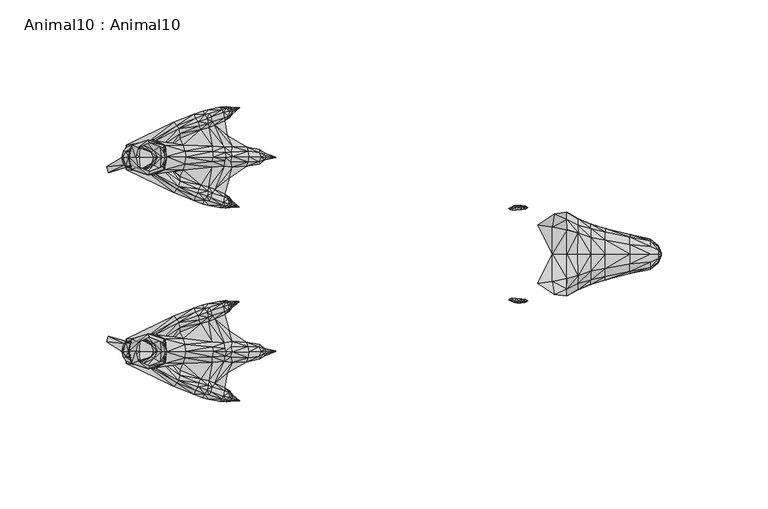
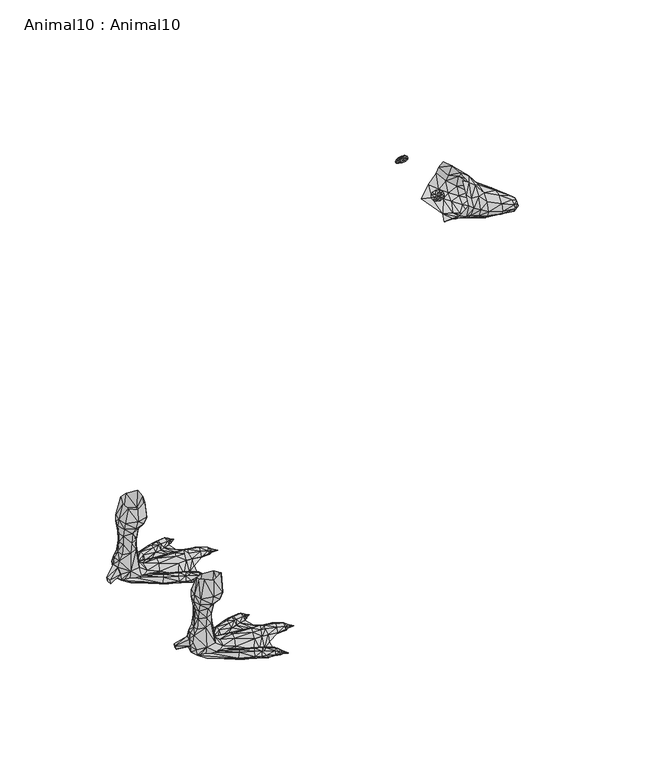
"""IFC4 building model written with IfcOpenShell, lengths in millimetres: geographic element geometry, Animal10 : Animal10."""

from ifc_helpers import new_model, si_unit, origin, place, context, project, spatial, triangles, source, transform, mapped, element, save


def animal10_animal10_9e66d876(model_context):
    return source(origin(), model_context, "Body", "Tessellation", [
        triangles([(-46.5843658, 11.4858939, 257.5037045), (-41.5535819, 9.9933932, 253.844898), (-46.8424942, 16.4083553, 250.5159043), (-41.8283653, 0.0007284, 255.287379), (-35.6745212, 7.803753, 248.3383119), (-46.5843658, -11.4844371, 257.5037045), (-46.8424942, -16.4068985, 250.5159043), (-35.6745212, 0.0007284, 250.4291182), (-35.6745212, -7.8022967, 248.3383119), (-52.708833, 18.8297634, 238.3736767), (-60.5804638, 13.7809573, 233.8109283), (-60.5804638, -13.7795005, 233.8109283), (-3.9123679, -2.0654386, 222.7053925), (-3.9123679, 0.0007284, 223.2590288), (-41.8283653, 9.9933932, 227.8477022), (-35.6745212, 7.803753, 224.4823916), (-35.6745212, 12.1451458, 228.4149277), (-7.7971423, 3.5557675, 225.284214), (-7.7971423, -3.5543107, 225.284214), (-17.2582126, -8.0790802, 228.2937687), (-35.6745212, -12.1436889, 228.4149277), (-41.8283653, -9.9919364, 227.8477022), (-41.8283653, 0.0007284, 224.9406122), (-35.6745212, 0.0007284, 222.3915854), (-46.8424942, 11.4858939, 230.3771444), (-53.775424, 12.8786959, 232.9891398), (-28.7283155, 12.1616441, 229.0351297), (-35.6745212, 14.23596, 234.0535007), (-28.7283155, 6.7665951, 239.711095), (-17.2582126, 4.658505, 232.3561479), (-53.775424, 0.0007284, 228.8038938), (-28.7283155, -12.1601873, 229.0351297), (-17.2582126, -4.6570482, 232.3561479), (-17.2582126, 0.0007284, 233.4205451), (-7.7971423, 0.0007284, 226.2367722), (-46.8424942, 0.0007284, 227.0701515), (-46.8424942, -11.4844371, 230.3771444), (-52.708833, -18.8283066, 238.3736767), (-53.775424, -12.8772379, 232.9891398), (-41.8283653, 13.8232694, 231.8619194), (-41.8283653, 16.7303639, 238.7832447), (-41.8283653, 13.8232694, 244.4379686), (-35.6745212, 12.1451458, 242.6261061), (-28.7283155, 10.532391, 235.2598951), (-46.8424942, 19.7153641, 244.3467133), (-46.8424942, 16.4083553, 234.3937052), (-46.8424942, -19.7139084, 244.3467133), (-46.8424942, -16.4068985, 234.3937052), (-41.8283653, -13.8218126, 231.8619194), (-41.8283653, -13.8218126, 244.4379686), (-41.8283653, -16.7289071, 238.7832447), (-41.5535819, -9.9919364, 253.844898), (-28.7283155, -10.5309331, 235.2598951), (-28.7283155, 0.0007284, 241.3403561), (-28.7283155, -6.7651388, 239.711095), (-35.6745212, -12.1436889, 242.6261061), (-35.6745212, -14.234502, 234.0535007), (-3.2919216, 0.2576245, 218.143171), (-3.350881, 0.0007284, 218.0487), (-3.9414515, 2.0668954, 218.0814742), (-3.8585002, 4.1330624, 219.9880438), (-7.6206695, 6.1582372, 218.5163677), (-3.9460763, 3.5794347, 218.6246823), (-2.7726341, 0.4456855, 218.8697981), (-2.6262725, 0.5145206, 219.1266865), (-2.4649763, 0.4456855, 219.3835749), (-17.2582126, -4.6570482, 218.5954508), (-3.9414515, -2.0654386, 218.0814742), (-2.7726341, -0.4442288, 218.8697981), (-2.6262725, -0.5130639, 219.1266865), (-7.6206695, -6.1567804, 218.5163677), (-3.9460763, -3.5779779, 218.6246823), (-7.6206695, -3.5543107, 217.4301331), (-3.8585002, -4.1316056, 219.9880438), (-3.2919216, -0.2561678, 218.143171), (-3.9414515, 0.0007284, 217.5278561), (-17.2582126, 4.658505, 218.5954508), (-17.2582126, 0.0007284, 217.5310535), (-7.6206695, 3.5557675, 217.4301331), (-7.6206695, 0.0007284, 216.4237265), (-28.7283155, 6.7665951, 221.4696031), (-28.7283155, 10.532391, 225.0710548), (-17.2582126, 9.1449297, 223.5518343), (-17.2582126, 8.080537, 220.9903627), (-17.2582126, 8.080537, 228.2937687), (-7.6894085, 7.1108072, 220.6307735), (-3.9123679, 2.0668954, 222.7053925), (-7.7432751, 6.1582372, 223.0838578), (-2.515755, 0.2576245, 219.5716448), (-3.9123679, 3.5794347, 221.1928758), (-28.7283155, -10.5309331, 225.0710548), (-17.2582126, -9.1434735, 223.5518343), (-17.2582126, -8.0790802, 220.9903627), (-28.7283155, -6.7651388, 221.4696031), (-7.7432751, -6.1567804, 223.0838578), (-2.4649763, -0.4442288, 219.3835749), (-3.9123679, -3.5779779, 221.1928758), (-7.6894085, -7.1093504, 220.6307735), (-2.5277019, 0.0007284, 219.6404996), (-2.515755, -0.2561678, 219.5716448), (-28.7283155, 0.0007284, 219.8403421), (-35.6745212, -7.8022967, 224.4823916)], [[2, 3, 1], [42, 3, 2], [8, 2, 4], [5, 2, 8], [7, 52, 6], [7, 50, 52], [52, 8, 4], [52, 9, 8], [26, 11, 10], [12, 39, 38], [35, 87, 18], [14, 87, 35], [13, 35, 19], [13, 14, 35], [15, 36, 25], [23, 36, 15], [16, 23, 15], [24, 23, 16], [17, 15, 40], [16, 15, 17], [18, 85, 30], [88, 85, 18], [20, 19, 33], [20, 95, 19], [22, 21, 49], [22, 102, 21], [36, 22, 37], [36, 23, 22], [23, 102, 22], [23, 24, 102], [25, 31, 26], [36, 31, 25], [46, 26, 10], [25, 26, 46], [40, 25, 46], [15, 25, 40], [28, 40, 41], [17, 40, 28], [27, 17, 28], [82, 17, 27], [44, 28, 43], [27, 28, 44], [85, 27, 44], [83, 27, 85], [30, 44, 29], [85, 44, 30], [34, 29, 54], [30, 29, 34], [35, 30, 34], [18, 30, 35], [31, 11, 26], [32, 20, 53], [32, 92, 20], [53, 33, 55], [53, 20, 33], [55, 34, 54], [55, 33, 34], [33, 35, 34], [33, 19, 35], [31, 37, 39], [31, 36, 37], [49, 57, 51], [49, 21, 57], [37, 49, 48], [37, 22, 49], [21, 32, 57], [21, 91, 32], [12, 31, 39], [39, 48, 38], [39, 37, 48], [57, 53, 56], [57, 32, 53], [41, 46, 45], [40, 46, 41], [42, 45, 3], [41, 45, 42], [43, 41, 42], [28, 41, 43], [5, 42, 2], [43, 42, 5], [29, 43, 5], [44, 43, 29], [54, 5, 8], [29, 5, 54], [46, 10, 45], [38, 48, 47], [48, 51, 47], [48, 49, 51], [47, 50, 7], [47, 51, 50], [50, 9, 52], [50, 56, 9], [56, 55, 9], [56, 53, 55], [9, 54, 8], [9, 55, 54], [51, 56, 50], [51, 57, 56], [77, 101, 81], [78, 101, 77], [58, 76, 60], [59, 76, 58], [62, 77, 84], [79, 77, 62], [63, 79, 62], [60, 79, 63], [64, 60, 63], [58, 60, 64], [61, 62, 86], [63, 62, 61], [65, 63, 61], [64, 63, 65], [90, 65, 61], [66, 65, 90], [101, 67, 94], [101, 78, 67], [67, 71, 93], [67, 73, 71], [68, 69, 72], [68, 75, 69], [72, 70, 74], [72, 69, 70], [70, 97, 74], [70, 96, 97], [73, 72, 71], [73, 68, 72], [71, 74, 98], [71, 72, 74], [76, 75, 68], [76, 59, 75], [79, 78, 77], [80, 78, 79], [60, 80, 79], [76, 80, 60], [78, 73, 67], [78, 80, 73], [80, 68, 73], [80, 76, 68], [81, 24, 16], [101, 24, 81], [82, 16, 17], [81, 16, 82], [84, 81, 82], [77, 81, 84], [83, 82, 27], [84, 82, 83], [86, 84, 83], [62, 84, 86], [88, 83, 85], [86, 83, 88], [90, 86, 88], [61, 86, 90], [87, 88, 18], [90, 88, 87], [89, 90, 87], [66, 90, 89], [99, 87, 14], [89, 87, 99], [91, 92, 32], [91, 93, 92], [94, 93, 91], [94, 67, 93], [92, 95, 20], [92, 98, 95], [93, 98, 92], [93, 71, 98], [95, 13, 19], [95, 97, 13], [97, 100, 13], [97, 96, 100], [98, 97, 95], [98, 74, 97], [13, 99, 14], [13, 100, 99], [24, 94, 102], [24, 101, 94], [102, 91, 21], [102, 94, 91]], closed=False),
        triangles([(-66.0184767, 21.2486076, 262.6506832), (-68.054735, 22.071334, 262.5127374), (-65.36273, 21.6423745, 261.0640795), (-67.5025294, 22.3030559, 261.0295794), (-71.1608999, 22.071334, 262.4782373), (-73.6458272, 21.0254949, 262.6506832), (-74.12901, 21.4071894, 261.2365435), (-72.6794663, 20.6340785, 263.9958591), (-70.5051577, 20.7823184, 264.5132149), (-69.6768471, 21.8938467, 263.1335752), (-67.9857121, 20.9687487, 263.9268589), (-67.5025294, -22.3016002, 261.0295794), (-66.0184767, -21.247152, 262.6506832), (-68.054735, -22.0698784, 262.5127374), (-67.9857121, -20.967293, 263.9268589), (-73.6458272, -21.0240369, 262.6506832), (-74.12901, -21.4057315, 261.2365435), (-71.1608999, -22.0698784, 262.4782373), (-70.5051577, -20.7808605, 264.5132149), (-72.6794663, -20.6326228, 263.9958591), (-69.6768471, -21.8923887, 263.1335752), (-68.5724314, 22.8934223, 257.4424982), (-66.432632, 22.5769332, 258.3047821), (-71.5060278, 22.7580517, 258.2357819), (-69.6423334, 22.7397911, 258.753174), (-68.0892487, -22.662468, 259.2705298), (-66.432632, -22.5754775, 258.3047821), (-68.5724314, -22.8919666, 257.4424982), (-71.5060278, -22.7565938, 258.2357819), (-71.1608999, -22.6733049, 259.4085119), (-69.6423334, -22.7383355, 258.753174), (-68.0892487, 22.6639237, 259.2705298), (-65.1556523, 21.9465006, 259.5809578), (-71.1608999, 22.6747606, 259.4085119), (-73.2661856, 21.8404252, 259.3740119), (-71.7821329, 22.3260469, 260.9261337), (-65.1556523, -21.9450449, 259.5809578), (-65.36273, -21.6409188, 261.0640795), (-71.7821329, -22.3245889, 260.9261337), (-73.2661856, -21.8389672, 259.3740119)], [[2, 1, 4], [2, 11, 1], [4, 1, 3], [36, 6, 5], [36, 7, 6], [5, 6, 8], [5, 9, 10], [5, 8, 9], [11, 10, 9], [2, 10, 11], [13, 12, 38], [13, 14, 12], [15, 14, 13], [16, 39, 18], [17, 39, 16], [19, 18, 21], [20, 18, 19], [21, 15, 19], [21, 14, 15], [16, 18, 20], [32, 22, 25], [32, 23, 22], [24, 25, 22], [34, 25, 24], [28, 26, 31], [27, 26, 28], [31, 29, 28], [31, 30, 29], [4, 33, 32], [4, 3, 33], [32, 33, 23], [34, 35, 36], [34, 24, 35], [36, 35, 7], [37, 12, 26], [38, 12, 37], [37, 26, 27], [40, 39, 17], [40, 30, 39], [29, 30, 40]], closed=False),
        triangles([(-71.7821329, 22.3260469, 260.9261337), (-69.6768471, 21.8938467, 263.1335752), (-69.6768471, 22.7728015, 261.0640795), (-71.1608999, 22.071334, 262.4782373), (-67.5025294, 22.3030559, 261.0295794), (-68.054735, 22.071334, 262.5127374), (-68.054735, -22.0698784, 262.5127374), (-69.6768471, -21.8923887, 263.1335752), (-67.5025294, -22.3016002, 261.0295794), (-71.1608999, -22.0698784, 262.4782373), (-69.6423334, 22.7397911, 258.753174), (-68.0892487, 22.6639237, 259.2705298), (-71.1608999, 22.6747606, 259.4085119), (-71.1608999, -22.6733049, 259.4085119), (-69.6768471, -22.7713458, 261.0640795), (-71.7821329, -22.3245889, 260.9261337), (-69.6423334, -22.7383355, 258.753174), (-68.0892487, -22.662468, 259.2705298)], [[3, 1, 4], [3, 4, 2], [3, 2, 6], [3, 6, 5], [15, 8, 7], [15, 7, 9], [15, 10, 8], [15, 16, 10], [3, 5, 12], [3, 12, 11], [3, 11, 13], [3, 13, 1], [15, 17, 14], [15, 14, 16], [15, 9, 18], [15, 18, 17]], closed=False),
        triangles([(-237.5378992, 50.6701448, 41.4496547), (-252.5574039, 45.6964658, 42.0952503), (-251.2654043, 50.6701448, 42.2566504), (-243.3519157, 53.734915, 47.0986331), (-250.9424044, 51.2094651, 46.4530376), (-237.5378992, 40.3520201, 41.4496547), (-236.8918812, 45.5479284, 40.9654546), (-252.0729132, -45.3242411, 46.4530376), (-234.469391, -45.5444448, 46.2916375), (-236.8918812, -45.5464704, 40.9654546), (-237.5378992, -50.6686869, 41.4496547), (-243.3519157, -53.7334616, 47.0986331), (-252.5574039, -45.6950079, 42.0952503), (-244.1593882, -53.1941414, 41.7724548), (-237.5378992, -40.3505667, 41.4496547), (-235.7613906, -39.8112464, 46.1302375), (-251.2654043, -40.3505667, 42.2566504), (-250.9424044, -39.8112464, 46.4530376), (-243.3519157, 37.2872476, 47.0986331), (-244.1593882, 37.8265678, 41.7724548), (-250.9424044, 39.8126998, 46.4530376), (-238.9913897, 45.5459027, 37.5760676), (-245.9359149, 51.4579237, 38.0602654), (-250.7809135, 47.9361047, 29.9902933), (-241.736898, 42.0933382, 30.7972912), (-250.9424044, 41.8351508, 36.1234741), (-252.0729132, -45.6300182, 30.1516934), (-240.6063892, -41.8336974, 38.2216632), (-238.9913897, -45.5444448, 37.5760676), (-241.736898, -42.0918848, 30.7972912), (-240.6063892, -45.5171209, 30.6358935), (-251.9114223, -45.6300182, 36.1234741), (-241.736898, -47.9346468, 30.7972912), (-245.9359149, -51.4564658, 38.0602654), (-250.7809135, -47.9346468, 29.9902933), (-250.7809135, -42.0918848, 29.9902933), (-250.9424044, -41.8336974, 36.1234741), (-240.6063892, 48.7825238, 38.2216632), (-250.9424044, 48.7825238, 36.1234741), (-244.1593882, 53.1955948, 41.7724548), (-251.9114223, 45.6314762, 36.1234741), (-240.6063892, 41.8351508, 38.2216632), (-245.9359149, 39.1597554, 38.0602654), (-251.2654043, 40.3520201, 42.2566504), (-251.2654043, -50.6686869, 42.2566504), (-240.6063892, -48.7810659, 38.2216632), (-250.9424044, -48.7810659, 36.1234741), (-244.1593882, -37.8251099, 41.7724548), (-245.9359149, -39.1582975, 38.0602654), (-246.9048965, 49.8955282, 23.534317), (-254.9799123, 45.5658097, 19.8221299), (-253.8494036, 41.7501724, 19.3379344), (-251.7498951, 41.7501724, 23.0501192), (-252.5574039, 45.6133268, 23.2115192), (-253.8494036, -41.7487144, 19.3379344), (-251.7498951, -41.7487144, 23.0501192), (-252.5574039, -45.6118689, 23.2115192), (-251.7498951, -48.1056166, 23.0501192), (-253.8494036, -48.2037301, 19.3379344), (-254.8184033, 48.7570575, 14.9801483), (-254.8184033, 45.4594618, 9.8153677), (-253.3649128, 50.2904441, 9.8153677), (-247.3894054, 52.1463083, 10.7837633), (-262.8024908, -41.1578121, 10.431734), (-255.7874212, -45.5166576, 15.3029483), (-241.8983889, 48.1070745, 23.6957171), (-253.8494036, 48.2051835, 19.3379344), (-239.9604076, 45.5185788, 23.372917), (-247.3894054, 39.1904994, 10.7837633), (-240.2833893, 40.982364, 10.2995655), (-241.8983889, -41.7487144, 23.6957171), (-254.8184033, -48.7556041, 14.9801483), (-239.9604076, -45.5171209, 23.372917), (-240.2833893, -50.2889862, 10.2995655), (-254.9799123, -45.5643518, 19.8221299), (-254.8184033, -41.8713496, 14.9801483), (-240.6063892, 45.5185788, 30.6358935), (-252.0729132, 45.6314762, 30.1516934), (-241.736898, 47.9361047, 30.7972912), (-246.4204057, 50.6115001, 30.7972912), (-251.7498951, 48.1070745, 23.0501192), (-250.7809135, 42.0933382, 29.9902933), (-246.9048965, 40.035297, 23.534317), (-241.8983889, 41.7501724, 23.6957171), (-246.4204057, 39.4179428, 30.7972912), (-246.4204057, -50.6100422, 30.7972912), (-246.9048965, -49.8940703, 23.534317), (-241.8983889, -48.1056166, 23.6957171), (-246.4204057, -39.4164849, 30.7972912), (-246.9048965, -40.0338436, 23.534317), (-213.3128699, 48.2902392, 7.2329757), (-213.151379, 50.7674136, 3.8435881), (-226.8788841, 51.2101781, 3.6821889), (-207.1758717, 47.7015306, 6.7487779), (-204.5918724, 48.1068792, 6.587379), (-203.7843636, 50.6920503, 3.6821889), (-196.3553657, 48.5730662, 5.1347838), (-191.3488762, 47.8760521, 3.6821895), (-197.0013655, 50.4374964, 2.5523929), (-197.0013655, 41.3578226, 2.5523929), (-207.6603806, 41.5086173, 3.52079), (-204.5918724, 43.5779859, 6.587379), (-203.7843636, 40.9928194, 3.6821889), (-213.151379, 41.0279054, 3.8435881), (-205.277659, 67.1628109, 3.4400903), (-221.5753743, 65.7987771, 2.9558913), (-216.638321, 65.6169659, 5.1347838), (-214.7967909, 68.0344964, 2.8348418), (-217.6288128, 67.3228938, 2.7137927), (-228.2958761, 56.7511281, 5.7400311), (-228.3103556, 54.6175374, 2.8348418), (-214.9014902, 59.4898417, 2.7137927), (-219.4529021, 60.3030279, 5.4979321), (-215.2070493, 61.4386735, 5.1347838), (-213.2516454, 62.3463898, 5.0137343), (-207.8909625, 66.669409, 4.8926849), (-219.8344558, 62.2966335, 6.3452789), (-214.7195791, 66.0047057, 5.0137343), (-213.6095633, 64.675172, 5.8610811), (-215.5819719, 63.7139344, 6.4663289), (-212.5053974, 48.2902392, 0.6156), (-202.653873, 48.1068792, -0.3527968), (-202.653873, 45.7838924, -0.9983941), (-196.1938748, 45.6147893, -0.5141959), (-189.701048, 45.5804664, -0.2867234), (-189.9614791, 47.8760521, 0.5374224), (-183.3582303, 45.5771054, 0.0023426), (-187.7479151, 45.5804664, 0.2771654), (-188.1385344, 46.6399039, 0.8844309), (-183.3582303, 45.4450595, 0.0023426), (-188.537747, 44.4160934, 1.2965039), (-188.7648588, 44.382261, 2.068195), (-189.9614791, 43.5879145, 0.5374224), (-212.5053974, 45.6220018, -0.3527968), (-223.6489032, 42.2658249, 0.7769991), (-220.4978056, 64.2096663, 0.5349002), (-208.7063197, 67.8928354, 0.6559501), (-213.3496772, 66.4904955, -0.1913974), (-205.6973464, 68.7926351, 0.476267), (-227.9843581, 59.548114, -0.3124467), (-200.4255388, 68.8742299, 0.0749572), (-204.513734, 68.2702151, 1.6243463), (-203.9478165, 66.6743596, 1.6243463), (-200.3924376, 68.7808898, 0.0749572), (-208.075308, 66.464416, -0.3124467), (-204.4558887, 65.3311367, 0.476267), (-207.3852157, 62.7063605, 1.9874949), (-207.28177, 64.2266892, 0.6559501), (-204.8995389, 64.1937198, 1.8664456), (-203.5465874, 66.0525316, 1.0455782), (-203.5050928, 66.831354, 0.7365235), (-203.5293101, 67.7762455, 0.2810743), (-204.9099308, 67.2866587, -0.1418423), (-204.0709921, 68.4272141, 0.7365235), (-211.8817072, 62.8321886, -0.1913974), (-212.6840929, 64.9646347, -0.6755953), (-219.607235, 62.3807309, -0.1913974), (-188.537747, 47.6001242, 1.2965039), (-191.0258582, 49.1076902, 2.3909937), (-188.7648588, 46.6399039, 2.068195), (-223.6489032, 48.5354413, 0.7769991), (-207.6603806, 50.2867016, 3.52079), (-196.1938748, 48.5730662, 0.7769998), (-191.3488762, 43.5879145, 3.6821895), (-190.2183675, 45.5887053, 4.4891868), (-187.9573681, 45.6088077, 2.7137927), (-196.1938748, 43.2222482, 0.7769998), (-188.1385344, 44.382261, 0.8844309), (-191.0258582, 42.3562764, 2.3909937), (-212.5053974, 43.5050798, 0.6156), (-202.653873, 43.5779859, -0.3527968), (-206.6780641, 68.4448593, 2.8348424), (-203.6844605, 67.7437801, 2.108545), (-208.8204842, 67.8523491, 3.9242881), (-206.7584734, 69.3964318, 1.8664456), (-209.744483, 69.0083287, 1.9874949), (-207.3959164, 64.186203, 3.9242881), (-212.0328245, 60.7214254, 2.8348418), (-205.4365883, 64.9833654, 2.8348424), (-204.593889, 69.0058942, 1.0455782), (-218.7178089, 58.5924674, 2.9558913), (-218.8821157, 60.5054456, 0.5349002), (-206.1009373, 55.7908896, 2.269944), (-205.5381809, 23.8734156, 3.4400903), (-207.8909625, 24.3668153, 4.8926849), (-206.938586, 22.5913695, 2.8348424), (-208.8204842, 23.1838751, 3.9242881), (-214.7967909, 23.0017278, 2.8348418), (-217.6288128, 23.7133305, 2.7137927), (-221.0686101, 27.0289734, 5.4979321), (-213.2516454, 28.6898367, 5.0137343), (-207.3959164, 26.8500235, 3.9242881), (-213.6095633, 26.3610522, 5.8610811), (-212.0328245, 30.3148011, 2.8348418), (-215.2070493, 29.5975552, 5.1347838), (-218.7178089, 32.4437569, 2.9558913), (-214.7195791, 25.0315231, 5.0137343), (-216.638321, 25.4192606, 5.1347838), (-215.5819719, 27.3222899, 6.4663289), (-219.4529021, 30.7331963, 5.4979321), (-214.7195791, -25.0300651, 5.0137343), (-221.5753743, -25.2359937, 2.9558913), (-213.6095633, -26.3595943, 5.8610811), (-208.8204842, -23.1824172, 3.9242881), (-215.2070493, -29.5960973, 5.1347838), (-218.7178089, -32.4422989, 2.9558913), (-228.3103556, -36.4172357, 2.8348418), (-204.5918724, -48.1054213, 6.587379), (-213.2516454, -28.6883811, 5.0137343), (-213.3128699, -43.5036264, 7.2329757), (-207.8909625, -24.3653573, 4.8926849), (-190.2183675, -45.5872474, 4.4891868), (-195.8708749, -45.7887885, 6.4259795), (-196.3553657, -48.5716128, 5.1347838), (-191.3488762, -43.5864565, 3.6821895), (-191.0258582, -42.3548184, 2.3909937), (-196.3553657, -43.2207948, 5.1347838), (-215.2070493, -61.4372156, 5.1347838), (-214.7967909, -68.0330385, 2.8348418), (-217.6288128, -67.3214358, 2.7137927), (-206.6780641, -68.4434013, 2.8348424), (-208.8204842, -67.8508957, 3.9242881), (-205.4365883, -64.9819029, 2.8348424), (-207.8909625, -66.667951, 4.8926849), (-213.2516454, -62.3449273, 5.0137343), (-213.6095633, -64.6737186, 5.8610811), (-228.2958761, -56.7496747, 5.7400311), (-226.8788841, -39.5896256, 3.6821889), (-213.151379, -41.0264475, 3.8435881), (-218.7178089, -58.591014, 2.9558913), (-206.1009373, -55.7894317, 2.269944), (-213.151379, -50.7659556, 3.8435881), (-203.7843636, -40.9913615, 3.6821889), (-212.0328245, -30.3133455, 2.8348418), (-205.3193898, -35.8837744, 2.269944), (-207.6603806, -41.5071594, 3.52079), (-219.4529021, -30.7317384, 5.4979321), (-219.8344558, -28.738135, 6.3452789), (-221.0686101, -27.0275177, 5.4979321), (-219.4529021, -60.30157, 5.4979321), (-221.0686101, -64.0057952, 5.4979321), (-219.8344558, -62.2951801, 6.3452789), (-228.8702597, -59.1455586, 6.7084278), (-215.5819719, -63.712481, 6.4663289), (-214.7195791, -66.0032432, 5.0137343), (-216.638321, -65.615508, 5.1347838), (-216.638321, -25.4178049, 5.1347838), (-215.5819719, -27.3208319, 6.4663289), (-218.8821157, 30.5307831, 0.5349002), (-200.6529595, 22.2553367, 0.0749572), (-200.6860607, 22.1619989, 0.0749572), (-204.8544109, 22.0303277, 1.0455782), (-203.9449824, 23.2924441, 2.108545), (-203.7898138, 23.2599788, 0.2810743), (-207.28177, 26.8095395, 0.6559501), (-205.1600608, 26.8425045, 1.8664456), (-205.9578682, 22.2435937, 0.476267), (-205.1704526, 23.7495678, -0.1418423), (-207.0189772, 21.639797, 1.8664456), (-204.331514, 22.6090101, 0.7365235), (-203.8070911, 24.9836903, 1.0455782), (-204.7164106, 25.7050898, 0.476267), (-203.7655965, 24.2048702, 0.7365235), (-208.075308, 24.5718082, -0.3124467), (-212.6840929, 26.0715918, -0.6755953), (-227.9843581, 31.4881125, -0.3124467), (-219.607235, 28.6554911, -0.1913974), (-220.4978056, 26.8265602, 0.5349002), (-228.2152306, 29.9988116, 0.6559496), (-226.6976452, 33.7183361, 0.6559496), (-223.6489032, -48.5339834, 0.7769991), (-224.2948849, -45.7940389, -0.5141959), (-212.5053974, -45.6205439, -0.3527968), (-219.607235, -28.6540354, -0.1913974), (-213.3496772, -66.4890421, -0.1913974), (-226.6976452, -57.3164324, 0.6559496), (-212.5053974, -43.5036264, 0.6156), (-188.1385344, -44.3808076, 0.8844309), (-188.7648588, -44.3808076, 2.068195), (-183.3582303, -45.4436061, 0.0023426), (-196.1938748, -45.6133314, -0.5141959), (-196.1938748, -43.2207948, 0.7769998), (-188.537747, -47.5986708, 1.2965039), (-183.3582303, -45.5756474, 0.0023426), (-202.653873, -48.1054213, -0.3527968), (-202.653873, -45.782439, -0.9983941), (-203.6844605, -67.7423222, 2.108545), (-200.3924376, -68.7794319, 0.0749572), (-203.5050928, -66.8299006, 0.7365235), (-203.9478165, -66.6728971, 1.6243463), (-203.5293101, -67.7747921, 0.2810743), (-200.4255388, -68.8727719, 0.0749572), (-204.593889, -69.0044408, 1.0455782), (-204.513734, -68.2687617, 1.6243463), (-187.7479151, -45.5790084, 0.2771654), (-188.1385344, -46.6384459, 0.8844309), (-189.701048, -45.5790084, -0.2867234), (-207.28177, -64.2252267, 0.6559501), (-212.6840929, -64.9631813, -0.6755953), (-203.5465874, -66.0510782, 1.0455782), (-204.4558887, -65.3296788, 0.476267), (-204.9099308, -67.2852053, -0.1418423), (-208.075308, -66.4629626, -0.3124467), (-206.7584734, -69.3949693, 1.8664456), (-204.0709921, -68.4257607, 0.7365235), (-205.6973464, -68.7911726, 0.476267), (-200.6860607, -22.160541, 0.0749572), (-200.6529595, -22.253881, 0.0749572), (-203.8070911, -24.9822347, 1.0455782), (-212.6840929, -26.0701361, -0.6755953), (-211.8817072, -28.2025845, -0.1913974), (-205.9578682, -22.242138, 0.476267), (-203.7898138, -23.2585208, 0.2810743), (-203.7655965, -24.2034123, 0.7365235), (-205.1704526, -23.7481121, -0.1418423), (-208.075308, -24.5703525, -0.3124467), (-204.7164106, -25.7036341, 0.476267), (-208.7063197, -23.1419355, 0.6559501), (-204.8544109, -22.028872, 1.0455782), (-204.331514, -22.6075545, 0.7365235), (-219.607235, -62.3792775, -0.1913974), (-227.9843581, -31.4866569, -0.3124467), (-211.8817072, 28.2040402, -0.1913974), (-207.3852157, 28.3298637, 1.9874949), (-209.744483, 22.0278955, 1.9874949), (-205.6971102, 26.0528633, 2.8348424), (-204.2083202, 24.3618692, 1.6243463), (-204.7742559, 22.7660091, 1.6243463), (-208.7063197, 23.1433911, 0.6559501), (-213.3496772, 24.5457265, -0.1913974), (-221.5753743, 25.2374516, 2.9558913), (-207.3852157, -28.3284058, 1.9874949), (-207.3959164, -26.8485679, 3.9242881), (-191.3488762, -47.8745987, 3.6821895), (-187.9573681, -45.6073497, 2.7137927), (-207.3959164, -64.184745, 3.9242881), (-217.6288128, -23.7118725, 2.7137927), (-220.4978056, -26.8251045, 0.5349002), (-226.6976452, -33.7168805, 0.6559496), (-212.5053974, -48.2887812, 0.6156), (-228.3103556, -54.6160749, 2.8348418), (-203.7843636, -50.6905923, 3.6821889), (-197.0013655, -50.4360384, 2.5523929), (-196.1938748, -48.5716128, 0.7769998), (-189.9614791, -47.8745987, 0.5374224), (-188.7648588, -46.6384459, 2.068195), (-191.0258582, -49.1062323, 2.3909937), (-214.9014902, -59.4883883, 2.7137927), (-212.0328245, -60.7199674, 2.8348418), (-211.8817072, -62.8307261, -0.1913974), (-209.744483, -69.0068707, 1.9874949), (-208.7063197, -67.891382, 0.6559501), (-204.8995389, -64.1922664, 1.8664456), (-205.277659, -67.1613575, 3.4400903), (-207.3852157, -62.7049071, 1.9874949), (-218.8821157, -60.5039877, 0.5349002), (-207.6603806, -50.2852437, 3.52079), (-202.653873, -43.5765325, -0.3527968), (-197.0013655, -41.3563646, 2.5523929), (-188.537747, -44.4146355, 1.2965039), (-189.9614791, -43.5864565, 0.5374224), (-218.8821157, -30.5293252, 0.5349002), (-214.9014902, -31.5449246, 2.7137927), (-214.7967909, -23.0002721, 2.8348418), (-213.3496772, -24.5442708, -0.1913974), (-209.744483, -22.0264399, 1.9874949), (-207.28177, -26.8080839, 0.6559501), (-204.2083202, -24.3604112, 1.6243463), (-205.6971102, -26.0514077, 2.8348424), (-205.1600608, -26.8410488, 1.8664456), (-206.938586, -22.5899116, 2.8348424), (-207.0189772, -21.638339, 1.8664456), (-204.7742559, -22.7645512, 1.6243463), (-205.5381809, -23.8719599, 3.4400903), (-203.9449824, -23.2909884, 2.108545), (-226.8788841, 39.5910836, 3.6821889), (-214.9014902, 31.5463825, 2.7137927), (-205.3193898, 35.8852301, 2.269944), (-251.4268952, 51.2094651, 5.4575827), (-253.5264037, 39.8126998, 6.26458), (-251.4268952, 39.8126998, 5.4575827), (-247.5508963, 45.5870839, 1.745396), (-236.7303904, 45.6030349, 0.292801), (-247.2279146, 39.8126998, 2.8751918), (-252.3959131, 45.4934304, 4.3277867), (-229.8134615, -60.4691969, 5.7400311), (-245.5610105, -51.0814569, 5.2558332), (-252.3959131, -45.491977, 4.3277867), (-254.3339125, -45.5272765, 5.2961832), (-247.5508963, -45.5856259, 1.745396), (-251.4268952, -51.2080071, 5.4575827), (-247.2279146, -39.8112464, 2.8751918), (-236.2458996, -51.2080071, 1.0997988), (-247.2279146, -51.2080071, 2.8751918), (-236.7303904, -45.601577, 0.292801), (-236.2458996, 51.2094651, 1.0997988), (-225.9098844, 48.5354413, 7.5557752), (-235.2768999, 51.2094651, 6.9101773), (-240.6063892, 53.801131, 5.4575827), (-224.2948849, 45.7954923, -0.5141959), (-236.2458996, 39.8126998, 1.0997988), (-231.1689021, 62.1184513, 2.8348418), (-228.2152306, 61.0374126, 0.6559496), (-246.2459614, 50.1168219, 0.8980493), (-232.8638386, 50.2531644, 4.1663873), (-241.6589231, 50.2310637, 0.292801), (-226.6976452, 57.3178858, 0.6559496), (-237.2411332, 50.7105084, 0.8980493), (-245.5610105, 51.0829148, 5.2558332), (-229.8134615, 60.4706549, 5.7400311), (-221.0686101, 64.0072486, 5.4979321), (-228.8702597, 59.147012, 6.7084278), (-240.3506636, 53.0994978, 6.22423), (-236.5561822, 50.9534078, 5.2558332), (-246.2459614, 40.9194046, 0.8980493), (-237.2411332, 40.3257181, 0.8980493), (-228.3103556, 36.4186914, 2.8348418), (-228.2958761, 34.2850984, 5.7400311), (-232.8638386, 40.7830621, 4.1663873), (-229.8134615, 30.5655739, 5.7400311), (-241.6589231, 40.8051628, 0.292801), (-231.1689021, 28.9177752, 2.8348418), (-245.5610105, 39.9533071, 5.2558332), (-236.5561822, 40.0828187, 5.2558332), (-228.8702597, 31.8892122, 6.7084278), (-240.3506636, 37.936731, 6.22423), (-219.8344558, 28.7395907, 6.3452789), (-226.8788841, -51.2087247, 3.6821889), (-228.2958761, -34.2836427, 5.7400311), (-223.6489032, -42.264367, 0.7769991), (-236.2458996, -39.8112464, 1.0997988), (-232.8638386, -50.2517065, 4.1663873), (-232.8638386, -40.7816041, 4.1663873), (-237.2411332, -40.3242601, 0.8980493), (-246.2459614, -40.9179466, 0.8980493), (-231.1689021, -62.1169933, 2.8348418), (-228.2152306, -61.0359592, 0.6559496), (-237.2411332, -50.7090505, 0.8980493), (-227.9843581, -59.546656, -0.3124467), (-246.2459614, -50.115364, 0.8980493), (-241.6589231, -50.2296057, 0.292801), (-220.4978056, -64.2082129, 0.5349002), (-221.5753743, -65.7973147, 2.9558913), (-228.2152306, -29.9973537, 0.6559496), (-241.6589231, -40.8037049, 0.292801), (-231.1689021, -28.9163196, 2.8348418), (-236.5561822, -50.9519454, 5.2558332), (-240.3506636, -53.0980353, 6.22423), (-245.5610105, -39.9518537, 5.2558332), (-229.8134615, -30.564116, 5.7400311), (-228.8702597, -31.8877543, 6.7084278), (-240.3506636, -37.9352753, 6.22423), (-236.5561822, -40.0813607, 5.2558332), (-240.2833893, 50.2904441, 10.2995655), (-238.02239, 45.8619127, 10.9451634), (-225.5868845, 45.686233, 8.8469709), (-195.8708749, 45.7902464, 6.4259795), (-203.9458908, 45.8325631, 7.7171746), (-253.5264037, 51.2094651, 6.26458), (-247.2279146, 51.2094651, 2.8751918), (-196.3553657, 43.2222482, 5.1347838), (-206.8528718, 45.5035861, 8.5241714), (-207.1758717, 44.0937884, 6.7487779), (-212.8283791, 45.6175689, 8.3627714), (-213.3128699, 43.5050798, 7.2329757), (-225.9098844, 42.2658249, 7.5557752), (-234.7924091, 45.8489502, 8.201373), (-235.2768999, 39.8126998, 6.9101773), (-254.3339125, 45.5287344, 5.2961832), (-240.6063892, 37.2210361, 5.4575827), (-255.7874212, 45.518111, 15.3029483), (-262.8024908, 41.15927, 10.431734), (-262.3080261, 41.15927, 7.537246), (-254.8184033, 41.872812, 14.9801483), (-262.0900525, 38.4665883, 10.1089362), (-253.3649128, 40.982364, 9.8153677), (-261.5955696, 38.4665883, 7.2144471), (-251.4268952, -39.8112464, 5.4575827), (-225.5868845, -45.684775, 8.8469709), (-213.3128699, -48.2887812, 7.2329757), (-203.9458908, -45.8311051, 7.7171746), (-204.5918724, -43.5765325, 6.587379), (-207.1758717, -44.0923259, 6.7487779), (-206.8528718, -45.5021327, 8.5241714), (-212.8283791, -45.616111, 8.3627714), (-207.1758717, -47.7000726, 6.7487779), (-254.8184033, -45.4580038, 9.8153677), (-261.5955696, -38.4651349, 7.2144471), (-262.3080261, -41.1578121, 7.537246), (-235.2768999, -39.8112464, 6.9101773), (-225.9098844, -42.264367, 7.5557752), (-247.3894054, -52.1448504, 10.7837633), (-253.5264037, -51.2080071, 6.26458), (-235.2768999, -51.2080071, 6.9101773), (-238.02239, -45.8604593, 10.9451634), (-240.6063892, -53.7996731, 5.4575827), (-234.7924091, -45.8474922, 8.201373), (-225.9098844, -48.5339834, 7.5557752), (-253.3649128, -50.2889862, 9.8153677), (-253.5264037, -39.8112464, 6.26458), (-253.3649128, -40.9809061, 9.8153677), (-240.6063892, -37.2195782, 5.4575827), (-247.3894054, -39.189046, 10.7837633), (-240.2833893, -40.9809061, 10.2995655), (-262.0900525, -38.4651349, 10.1089362), (-234.469391, 45.5459027, 46.2916375), (-235.7613906, 51.2094651, 46.1302375), (-249.1658958, 45.5495135, 56.9982287), (-252.0729132, 45.325699, 46.4530376), (-236.2458996, 49.9959944, 59.9798554), (-242.8673886, 52.5214489, 58.3658597), (-247.8738962, 49.9959944, 59.1728553), (-235.2768999, 45.7663471, 57.6438243), (-247.8738962, 41.2958305, 55.491403), (-236.2458996, 41.2958305, 56.2983986), (-235.7613906, 39.8126998, 46.1302375), (-242.8673886, 38.7703761, 54.6844029), (-235.2768999, -45.7648892, 57.6438243), (-236.2458996, -41.2943771, 56.2983986), (-250.9424044, -51.2080071, 46.4530376), (-249.1658958, -45.5480556, 56.9982287), (-235.7613906, -51.2080071, 46.1302375), (-242.8673886, -52.519991, 58.3658597), (-247.8738962, -49.9945365, 59.1728553), (-236.2458996, -49.9945365, 59.9798554), (-242.8673886, -38.7689227, 54.6844029), (-243.3519157, -37.2857896, 47.0986331), (-247.8738962, -41.2943771, 55.491403)], [[506, 1, 507], [506, 7, 1], [509, 3, 2], [509, 5, 3], [4, 1, 40], [4, 507, 1], [5, 40, 3], [5, 4, 40], [6, 506, 516], [7, 506, 6], [44, 509, 2], [21, 509, 44], [8, 17, 13], [8, 18, 17], [9, 15, 16], [9, 10, 15], [11, 9, 522], [10, 9, 11], [11, 12, 14], [522, 12, 11], [45, 8, 13], [520, 8, 45], [14, 520, 45], [12, 520, 14], [527, 15, 48], [527, 16, 15], [18, 48, 17], [18, 527, 48], [6, 19, 20], [516, 19, 6], [20, 21, 44], [19, 21, 20], [22, 79, 38], [22, 77, 79], [41, 24, 78], [41, 39, 24], [23, 79, 80], [23, 38, 79], [39, 80, 24], [39, 23, 80], [25, 22, 42], [77, 22, 25], [78, 26, 41], [82, 26, 78], [85, 26, 82], [43, 26, 85], [25, 43, 85], [42, 43, 25], [37, 27, 32], [37, 36, 27], [29, 30, 28], [29, 31, 30], [35, 32, 27], [47, 32, 35], [33, 29, 46], [31, 29, 33], [33, 34, 86], [46, 34, 33], [86, 47, 35], [34, 47, 86], [49, 30, 89], [49, 28, 30], [37, 89, 36], [37, 49, 89], [38, 7, 22], [1, 7, 38], [39, 2, 3], [41, 2, 39], [38, 40, 1], [23, 40, 38], [23, 3, 40], [39, 3, 23], [7, 42, 22], [7, 6, 42], [2, 26, 44], [2, 41, 26], [20, 42, 6], [20, 43, 42], [44, 43, 20], [44, 26, 43], [37, 13, 17], [32, 13, 37], [28, 10, 29], [15, 10, 28], [13, 47, 45], [13, 32, 47], [14, 46, 11], [14, 34, 46], [45, 34, 14], [45, 47, 34], [10, 46, 29], [10, 11, 46], [28, 48, 15], [49, 48, 28], [49, 17, 48], [37, 17, 49], [54, 67, 51], [54, 81, 67], [81, 50, 67], [52, 54, 51], [53, 54, 52], [83, 53, 52], [57, 55, 75], [57, 56, 55], [87, 58, 59], [59, 57, 75], [58, 57, 59], [56, 90, 55], [60, 61, 471], [60, 62, 61], [60, 63, 62], [474, 61, 471], [476, 474, 61], [69, 474, 476], [76, 487, 65], [76, 501, 487], [76, 64, 65], [505, 76, 64], [72, 492, 499], [72, 487, 65], [72, 499, 487], [76, 503, 501], [472, 474, 471], [475, 474, 472], [68, 454, 66], [68, 455, 454], [471, 67, 60], [51, 67, 471], [50, 454, 63], [50, 66, 454], [63, 67, 50], [60, 67, 63], [70, 68, 84], [455, 68, 70], [52, 471, 474], [52, 51, 471], [52, 69, 83], [52, 474, 69], [69, 84, 83], [70, 84, 69], [65, 55, 76], [75, 55, 65], [73, 504, 71], [495, 73, 504], [59, 492, 87], [59, 72, 492], [74, 73, 88], [495, 73, 74], [74, 87, 492], [88, 87, 74], [65, 59, 72], [59, 75, 65], [503, 55, 90], [76, 55, 503], [71, 503, 90], [504, 71, 503], [66, 77, 68], [79, 77, 66], [54, 24, 81], [78, 24, 54], [66, 80, 79], [50, 80, 66], [50, 24, 80], [81, 24, 50], [77, 84, 68], [77, 25, 84], [82, 54, 53], [82, 78, 54], [82, 83, 85], [82, 53, 83], [85, 84, 25], [85, 83, 84], [57, 36, 56], [27, 36, 57], [71, 31, 73], [30, 31, 71], [35, 57, 58], [35, 27, 57], [35, 87, 86], [35, 58, 87], [86, 88, 33], [86, 87, 88], [31, 88, 73], [31, 33, 88], [90, 36, 89], [56, 36, 90], [71, 89, 30], [90, 89, 71], [457, 98, 165], [457, 97, 98], [397, 92, 91], [93, 397, 92], [162, 91, 92], [94, 91, 162], [95, 162, 94], [96, 162, 95], [96, 97, 99], [96, 95, 97], [99, 98, 97], [99, 159, 98], [164, 100, 461], [169, 100, 164], [164, 457, 165], [461, 457, 164], [103, 461, 100], [102, 103, 461], [102, 101, 463], [101, 103, 102], [465, 101, 104], [465, 463, 101], [104, 466, 465], [466, 376, 104], [116, 172, 105], [116, 174, 172], [106, 107, 109], [106, 411, 107], [108, 107, 118], [109, 107, 108], [110, 181, 113], [110, 111, 181], [114, 181, 112], [113, 181, 114], [112, 115, 114], [112, 178, 115], [179, 116, 105], [177, 116, 179], [117, 107, 411], [117, 120, 107], [118, 120, 119], [107, 120, 118], [119, 174, 118], [119, 116, 174], [412, 113, 117], [412, 110, 113], [177, 119, 115], [119, 116, 177], [114, 117, 113], [120, 117, 114], [120, 115, 119], [120, 114, 115], [93, 181, 92], [111, 93, 181], [112, 92, 181], [162, 92, 112], [162, 178, 96], [162, 112, 178], [183, 96, 178], [99, 96, 183], [161, 134, 400], [161, 121, 134], [122, 134, 121], [123, 134, 122], [124, 122, 123], [163, 122, 124], [124, 126, 163], [124, 125, 126], [129, 125, 128], [126, 125, 129], [129, 128, 127], [160, 158, 127], [158, 129, 127], [128, 168, 130], [168, 131, 130], [131, 132, 130], [125, 168, 128], [125, 133, 168], [133, 124, 167], [125, 124, 133], [171, 124, 123], [171, 167, 124], [171, 134, 170], [123, 134, 171], [135, 134, 400], [135, 170, 134], [157, 403, 140], [136, 403, 157], [137, 156, 145], [138, 156, 137], [138, 157, 136], [157, 156, 138], [139, 180, 175], [139, 154, 180], [175, 137, 139], [176, 137, 175], [407, 157, 140], [407, 182, 157], [152, 151, 144], [173, 142, 141], [142, 180, 141], [180, 154, 141], [154, 152, 141], [150, 143, 144], [151, 150, 144], [143, 173, 144], [155, 145, 156], [155, 148, 145], [146, 145, 148], [153, 145, 146], [145, 139, 137], [145, 153, 139], [148, 149, 146], [148, 147, 149], [150, 146, 149], [151, 146, 150], [153, 151, 152], [153, 146, 151], [154, 153, 152], [139, 153, 154], [182, 156, 155], [157, 182, 156], [160, 165, 98], [166, 165, 160], [166, 160, 127], [160, 159, 158], [98, 159, 160], [161, 92, 121], [161, 93, 92], [121, 92, 162], [162, 122, 121], [162, 96, 122], [99, 122, 96], [163, 122, 99], [159, 163, 126], [99, 163, 159], [126, 158, 159], [126, 129, 158], [165, 132, 164], [165, 166, 132], [132, 166, 130], [135, 104, 170], [135, 376, 104], [100, 171, 103], [167, 171, 100], [167, 169, 133], [167, 100, 169], [131, 133, 169], [168, 133, 131], [169, 132, 131], [169, 164, 132], [170, 104, 101], [101, 171, 170], [101, 103, 171], [142, 105, 172], [173, 105, 142], [108, 174, 176], [108, 118, 174], [172, 176, 174], [176, 175, 172], [178, 177, 147], [115, 178, 177], [179, 147, 177], [149, 147, 179], [105, 143, 179], [105, 173, 143], [142, 175, 180], [172, 175, 142], [176, 138, 108], [137, 138, 176], [109, 138, 136], [109, 108, 138], [136, 106, 109], [181, 407, 182], [111, 407, 181], [155, 147, 178], [155, 148, 147], [149, 143, 150], [149, 179, 143], [155, 112, 182], [178, 112, 155], [181, 182, 112], [183, 178, 147], [326, 185, 184], [192, 185, 326], [185, 186, 184], [185, 187, 186], [187, 193, 197], [185, 193, 187], [198, 188, 197], [198, 189, 188], [198, 331, 189], [190, 331, 198], [193, 192, 191], [193, 185, 192], [191, 377, 195], [194, 377, 191], [196, 418, 200], [417, 418, 196], [196, 195, 377], [196, 200, 195], [199, 197, 193], [199, 198, 197], [198, 427, 190], [199, 427, 198], [427, 195, 200], [427, 199, 195], [191, 199, 193], [195, 199, 191], [200, 425, 427], [418, 425, 200], [247, 364, 201], [247, 337, 364], [247, 202, 337], [239, 202, 247], [369, 211, 374], [333, 211, 369], [211, 371, 374], [211, 204, 371], [204, 203, 201], [211, 203, 204], [206, 205, 363], [206, 237, 205], [206, 429, 237], [207, 429, 206], [208, 357, 486], [342, 357, 208], [236, 482, 483], [236, 233, 482], [209, 363, 205], [363, 234, 209], [480, 357, 232], [480, 486, 357], [236, 210, 229], [483, 210, 236], [232, 498, 480], [428, 498, 232], [491, 229, 210], [491, 228, 229], [203, 333, 209], [203, 211, 333], [213, 215, 212], [213, 217, 215], [334, 213, 212], [214, 213, 334], [334, 343, 214], [347, 343, 334], [359, 215, 217], [359, 216, 215], [342, 214, 343], [342, 208, 214], [217, 233, 359], [482, 233, 217], [218, 230, 348], [240, 230, 218], [219, 246, 245], [220, 246, 219], [443, 246, 220], [443, 241, 246], [221, 224, 354], [222, 224, 221], [224, 223, 354], [224, 336, 223], [348, 225, 218], [348, 349, 225], [336, 226, 225], [224, 226, 336], [226, 222, 245], [226, 224, 222], [227, 230, 240], [227, 341, 230], [206, 228, 207], [229, 228, 206], [428, 230, 232], [341, 428, 230], [231, 342, 349], [343, 342, 231], [357, 349, 342], [348, 357, 349], [232, 348, 230], [232, 357, 348], [233, 235, 359], [235, 234, 233], [236, 234, 363], [236, 233, 234], [363, 229, 236], [206, 229, 363], [237, 451, 238], [429, 451, 237], [238, 205, 237], [238, 248, 205], [247, 238, 239], [248, 238, 247], [218, 242, 240], [244, 242, 218], [242, 246, 241], [242, 244, 246], [243, 240, 242], [243, 227, 240], [244, 225, 226], [244, 218, 225], [245, 244, 226], [246, 244, 245], [248, 201, 203], [248, 247, 201], [209, 248, 203], [205, 248, 209], [267, 330, 268], [267, 265, 330], [265, 249, 323], [267, 249, 265], [327, 253, 250], [263, 261, 250], [261, 327, 250], [260, 254, 251], [252, 260, 251], [328, 252, 251], [253, 328, 251], [254, 263, 250], [255, 256, 262], [255, 324, 256], [323, 264, 265], [323, 255, 264], [262, 264, 255], [258, 264, 262], [264, 257, 329], [264, 258, 257], [259, 329, 257], [325, 329, 259], [257, 252, 259], [257, 260, 252], [260, 258, 254], [257, 258, 260], [261, 262, 256], [263, 262, 261], [258, 263, 254], [258, 262, 263], [329, 265, 264], [330, 265, 329], [269, 267, 266], [269, 268, 267], [267, 270, 266], [249, 270, 267], [339, 274, 322], [339, 362, 274], [271, 273, 272], [271, 340, 273], [273, 430, 272], [277, 430, 273], [310, 362, 311], [274, 362, 310], [274, 365, 338], [274, 310, 365], [356, 299, 350], [356, 321, 299], [275, 321, 442], [299, 321, 275], [321, 276, 439], [356, 276, 321], [273, 358, 277], [273, 286, 358], [281, 361, 282], [281, 297, 361], [278, 295, 280], [278, 297, 295], [361, 297, 278], [279, 360, 280], [360, 278, 280], [281, 358, 286], [282, 358, 281], [295, 296, 284], [296, 283, 284], [283, 346, 284], [285, 273, 340], [286, 273, 285], [287, 290, 288], [300, 289, 288], [290, 300, 288], [289, 291, 288], [291, 305, 292], [305, 293, 292], [293, 294, 292], [294, 287, 292], [345, 281, 344], [297, 281, 345], [297, 296, 295], [297, 345, 296], [285, 281, 286], [285, 344, 281], [303, 350, 299], [298, 350, 303], [299, 352, 303], [299, 275, 352], [289, 302, 291], [301, 302, 289], [301, 300, 353], [301, 289, 300], [303, 301, 298], [303, 302, 301], [306, 303, 352], [302, 303, 306], [352, 304, 306], [352, 351, 304], [293, 306, 304], [305, 306, 293], [302, 305, 291], [302, 306, 305], [353, 298, 301], [355, 298, 353], [320, 313, 307], [375, 373, 307], [373, 319, 307], [319, 320, 307], [313, 314, 308], [314, 309, 308], [309, 368, 308], [368, 375, 308], [311, 316, 310], [311, 367, 316], [318, 310, 316], [365, 310, 318], [316, 312, 318], [316, 315, 312], [315, 314, 313], [315, 317, 314], [317, 316, 367], [315, 316, 317], [367, 370, 317], [367, 332, 370], [309, 317, 370], [314, 317, 309], [372, 318, 312], [366, 318, 372], [312, 319, 372], [312, 320, 319], [320, 315, 313], [312, 315, 320], [437, 321, 439], [437, 442, 321], [274, 444, 322], [338, 444, 274], [187, 188, 325], [197, 188, 187], [194, 192, 324], [194, 191, 192], [330, 189, 268], [188, 189, 330], [377, 323, 249], [194, 377, 323], [249, 196, 377], [326, 324, 192], [256, 324, 326], [324, 323, 194], [255, 323, 324], [325, 186, 187], [325, 259, 186], [328, 259, 252], [186, 259, 328], [256, 327, 261], [256, 326, 327], [184, 327, 326], [184, 253, 327], [328, 184, 186], [253, 184, 328], [330, 325, 188], [330, 329, 325], [331, 268, 189], [270, 196, 249], [270, 417, 196], [324, 378, 194], [204, 364, 366], [201, 364, 204], [234, 333, 332], [234, 209, 333], [212, 346, 334], [212, 335, 346], [279, 212, 215], [335, 212, 279], [219, 222, 351], [219, 245, 222], [336, 349, 355], [225, 349, 336], [365, 337, 338], [364, 337, 365], [202, 338, 337], [339, 206, 362], [339, 207, 206], [271, 232, 340], [271, 428, 232], [229, 430, 277], [228, 430, 229], [220, 275, 442], [220, 219, 275], [442, 443, 220], [230, 276, 356], [341, 276, 230], [335, 279, 280], [346, 335, 284], [357, 285, 340], [357, 342, 285], [343, 285, 342], [344, 285, 343], [344, 347, 345], [344, 343, 347], [347, 346, 283], [347, 334, 346], [283, 345, 347], [296, 345, 283], [356, 230, 348], [231, 349, 355], [350, 355, 349], [350, 298, 355], [351, 275, 219], [352, 275, 351], [290, 353, 300], [223, 353, 290], [290, 354, 223], [287, 354, 290], [221, 351, 222], [304, 351, 221], [354, 294, 221], [354, 287, 294], [304, 294, 293], [304, 221, 294], [355, 223, 336], [355, 353, 223], [350, 348, 356], [349, 348, 350], [340, 232, 357], [358, 236, 277], [233, 236, 358], [358, 359, 233], [358, 282, 359], [216, 282, 361], [359, 282, 216], [279, 216, 360], [215, 216, 279], [361, 360, 216], [361, 278, 360], [362, 206, 363], [332, 235, 234], [363, 311, 362], [363, 234, 311], [229, 277, 236], [365, 366, 364], [365, 318, 366], [332, 311, 234], [367, 311, 332], [374, 368, 369], [374, 375, 368], [369, 332, 333], [370, 332, 369], [370, 368, 309], [370, 369, 368], [366, 371, 204], [366, 372, 371], [373, 372, 319], [371, 372, 373], [373, 374, 371], [375, 374, 373], [196, 376, 417], [104, 376, 196], [377, 104, 101], [104, 196, 377], [194, 101, 377], [103, 101, 194], [103, 378, 100], [194, 378, 103], [459, 385, 469], [459, 379, 385], [385, 380, 469], [381, 380, 385], [402, 409, 459], [410, 409, 402], [382, 379, 460], [385, 379, 382], [460, 383, 382], [460, 396, 383], [460, 399, 396], [385, 384, 381], [385, 382, 384], [383, 384, 382], [401, 384, 383], [446, 449, 500], [450, 449, 446], [387, 436, 493], [387, 386, 436], [388, 500, 389], [478, 500, 388], [493, 388, 389], [493, 391, 388], [390, 391, 394], [388, 391, 390], [388, 392, 478], [388, 390, 392], [502, 392, 431], [394, 496, 393], [395, 392, 390], [431, 392, 395], [394, 395, 390], [394, 393, 395], [470, 384, 401], [423, 422, 380], [423, 420, 422], [400, 396, 161], [383, 396, 400], [398, 93, 399], [398, 397, 93], [93, 396, 399], [161, 396, 93], [401, 376, 470], [401, 135, 376], [376, 468, 470], [466, 468, 376], [400, 401, 135], [401, 383, 400], [404, 402, 459], [404, 403, 402], [106, 410, 411], [410, 402, 106], [110, 405, 111], [414, 405, 110], [111, 408, 405], [407, 408, 111], [406, 403, 404], [406, 140, 403], [403, 106, 136], [402, 403, 106], [140, 408, 407], [406, 408, 140], [410, 413, 409], [412, 413, 410], [411, 412, 117], [410, 412, 411], [412, 414, 110], [414, 413, 412], [422, 415, 380], [269, 415, 422], [416, 417, 419], [416, 270, 417], [419, 418, 417], [419, 424, 418], [420, 331, 190], [422, 420, 331], [269, 421, 415], [266, 421, 269], [416, 266, 270], [416, 421, 266], [331, 269, 268], [269, 422, 331], [426, 420, 423], [426, 425, 420], [424, 425, 418], [426, 424, 425], [425, 190, 427], [425, 420, 190], [111, 405, 93], [376, 419, 417], [494, 428, 496], [494, 498, 428], [228, 490, 502], [491, 490, 228], [227, 432, 341], [447, 432, 227], [433, 429, 207], [433, 453, 429], [432, 341, 428], [433, 228, 207], [450, 202, 239], [450, 446, 202], [428, 393, 496], [271, 393, 428], [431, 228, 502], [431, 430, 228], [438, 341, 432], [438, 276, 341], [207, 434, 433], [339, 434, 207], [435, 446, 500], [435, 444, 446], [443, 386, 241], [436, 386, 443], [436, 440, 493], [437, 440, 436], [431, 272, 430], [431, 395, 272], [272, 393, 271], [395, 393, 272], [438, 439, 276], [438, 441, 439], [437, 441, 440], [439, 441, 437], [437, 443, 442], [437, 436, 443], [445, 444, 435], [445, 322, 444], [322, 434, 339], [445, 434, 322], [202, 444, 338], [446, 444, 202], [243, 447, 227], [448, 447, 243], [448, 386, 387], [448, 243, 386], [241, 243, 242], [386, 243, 241], [450, 452, 449], [451, 452, 450], [453, 451, 429], [453, 452, 451], [451, 239, 238], [451, 450, 239], [398, 455, 467], [454, 455, 398], [467, 397, 398], [456, 467, 397], [456, 91, 464], [456, 397, 91], [94, 464, 91], [464, 462, 94], [458, 94, 462], [95, 94, 458], [458, 97, 95], [458, 457, 97], [469, 62, 459], [61, 62, 469], [399, 454, 398], [63, 454, 399], [62, 63, 459], [459, 63, 379], [460, 63, 399], [379, 63, 460], [69, 384, 470], [69, 381, 384], [461, 458, 102], [457, 458, 461], [462, 102, 458], [462, 463, 102], [464, 463, 465], [464, 462, 463], [465, 456, 464], [466, 456, 465], [466, 467, 468], [456, 467, 466], [455, 468, 467], [455, 70, 468], [476, 469, 380], [476, 61, 469], [69, 380, 381], [69, 476, 380], [70, 470, 468], [70, 69, 470], [61, 472, 471], [473, 472, 61], [475, 476, 474], [475, 477, 476], [472, 477, 475], [472, 473, 477], [476, 473, 61], [477, 473, 476], [503, 392, 502], [503, 478, 392], [394, 492, 496], [391, 492, 394], [480, 479, 485], [498, 479, 480], [479, 210, 485], [479, 491, 210], [484, 482, 481], [484, 483, 482], [483, 485, 210], [484, 485, 483], [217, 481, 482], [213, 481, 217], [481, 214, 208], [481, 213, 214], [485, 486, 480], [485, 484, 486], [481, 486, 484], [208, 486, 481], [501, 389, 500], [487, 501, 389], [501, 489, 487], [488, 489, 501], [487, 64, 65], [489, 64, 487], [495, 490, 497], [495, 504, 490], [491, 497, 490], [479, 497, 491], [493, 492, 391], [499, 492, 493], [494, 495, 497], [74, 495, 494], [496, 74, 494], [74, 492, 496], [497, 498, 494], [497, 479, 498], [389, 499, 493], [487, 499, 389], [501, 503, 500], [503, 500, 478], [504, 502, 490], [504, 503, 502], [501, 505, 76], [505, 488, 501], [64, 488, 505], [64, 489, 488], [507, 513, 506], [510, 513, 507], [5, 508, 512], [509, 508, 5], [507, 511, 510], [4, 511, 507], [4, 512, 511], [5, 512, 4], [515, 506, 513], [515, 516, 506], [514, 509, 21], [514, 508, 509], [514, 19, 517], [514, 21, 19], [517, 516, 515], [517, 19, 516], [8, 528, 18], [521, 528, 8], [9, 519, 518], [16, 519, 9], [521, 520, 524], [521, 8, 520], [518, 522, 9], [518, 525, 522], [524, 12, 523], [524, 520, 12], [523, 522, 525], [523, 12, 522], [16, 526, 519], [527, 526, 16], [527, 528, 526], [18, 528, 527]], closed=False),
    ])


if __name__ == "__main__":
    model = new_model("IFC4")
    model_context = context("Model", 3, world=origin())
    ifc_project = project(units=[si_unit("LENGTHUNIT", "METRE", prefix="MILLI")], contexts=[model_context])
    site = spatial("IfcSite", under=ifc_project)
    building = spatial("IfcBuilding", under=site)
    placement = place(None, origin())
    animal10_animal10_shape = animal10_animal10_9e66d876(model_context)
    element("IfcGeographicElement", 1, ObjectType="Animal10 : Animal10", at=placement, inside=building, context=model_context, shape_type="MappedRepresentation", body=[
        mapped(animal10_animal10_shape, transform((0.0, 0.0, 0.0), x_axis=(1.0, 0.0, 0.0), y_axis=(0.0, 1.0, 0.0), z_axis=(0.0, 0.0, 1.0))),
    ])
    save(model, "model.ifc")
